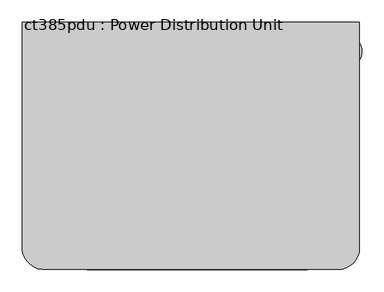
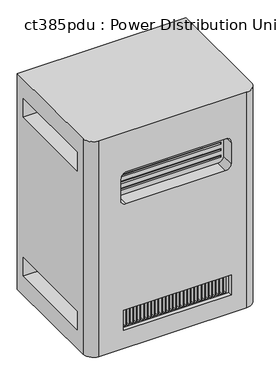
"""IFC4 building model written with IfcOpenShell, lengths in millimetres: proxy geometry, ct385pdu : Power Distribution Unit."""

from ifc_helpers import new_model, si_unit, frame, origin, place, context, project, spatial, polyline, circle_curve, source, transform, mapped, element, save
from ifc_brep_helpers import plane_surface, cylinder_surface, revolved_surface, advanced_brep


def ct385pdu_power_distribution_unit_872da1f0(model_context):
    return source(origin(), model_context, "Body", "AdvancedBrep", [
        advanced_brep(
        [(777.1214984, -278.2670561, 1061.72), (13.3803622, -278.2670561, 1061.72), (13.3803622, -793.0708407, 1061.72), (58.9890922, -838.6795708, 1061.72), (728.6943488, -838.6795708, 1061.72), (777.1214984, -799.4290288, 1061.72), (777.1214984, -278.2670561, 29.0723606), (777.1214984, -799.4290288, 29.0723606), (728.6943488, -838.6795708, 29.0723606), (58.9890922, -838.6795708, 29.0723606), (13.3803622, -793.0708407, 29.0723606), (13.3803622, -278.2670561, 29.0723606), (13.3803622, -321.9979539, 118.507899), (13.3803622, -321.9979539, 207.407899), (13.3803622, -747.4479539, 207.407899), (13.3803622, -747.4479539, 118.507899), (13.3803622, -321.9979539, 880.507899), (13.3803622, -321.9979539, 969.407899), (13.3803622, -747.4479539, 969.407899), (13.3803622, -747.4479539, 880.507899), (658.9972816, -838.6795708, 211.3956245), (658.9972816, -838.6795708, 116.1456245), (170.0472816, -838.6795708, 116.1456245), (170.0472816, -838.6795708, 211.3956245), (633.5972816, -838.6795708, 871.292643), (658.9972816, -838.6795708, 845.892643), (658.9972816, -838.6795708, 745.3012718), (633.5972816, -838.6795708, 719.9012718), (182.7472816, -838.6795708, 719.9012718), (160.6748993, -838.6795708, 732.7326625), (160.6748993, -838.6795708, 845.892643), (186.0748993, -838.6795708, 871.292643), (777.1214984, -321.9979539, 207.407899), (777.1214984, -321.9979539, 118.507899), (777.1214984, -747.4479539, 118.507899), (777.1214984, -747.4479539, 207.407899), (777.1214984, -321.9979539, 969.407899), (777.1214984, -321.9979539, 880.507899), (777.1214984, -747.4479539, 880.507899), (777.1214984, -747.4479539, 969.407899), (658.9972816, -820.2558112, 211.3956245), (170.0472816, -820.2558112, 211.3956245), (170.0472816, -820.2558112, 116.1456245), (658.9972816, -820.2558112, 116.1456245), (190.1782237, -820.2558112, 207.407899), (190.1782237, -820.2558112, 120.3783251), (180.7461805, -820.2558112, 120.3783251), (180.7461805, -820.2558112, 207.407899), (206.3777551, -820.2558112, 207.407899), (206.3777551, -820.2558112, 120.3783251), (196.9457119, -820.2558112, 120.3783251), (196.9457119, -820.2558112, 207.407899), (222.6337551, -820.2558112, 207.407899), (222.6337551, -820.2558112, 120.3783251), (213.2017119, -820.2558112, 120.3783251), (213.2017119, -820.2558112, 207.407899), (238.8897551, -820.2558112, 207.407899), (238.8897551, -820.2558112, 120.3783251), (229.4577119, -820.2558112, 120.3783251), (229.4577119, -820.2558112, 207.407899), (255.1457551, -820.2558112, 207.407899), (255.1457551, -820.2558112, 120.3783251), (245.7137119, -820.2558112, 120.3783251), (245.7137119, -820.2558112, 207.407899), (271.4017551, -820.2558112, 207.407899), (271.4017551, -820.2558112, 120.3783251), (261.9697119, -820.2558112, 120.3783251), (261.9697119, -820.2558112, 207.407899), (287.6577551, -820.2558112, 207.407899), (287.6577551, -820.2558112, 120.3783251), (278.2257119, -820.2558112, 120.3783251), (278.2257119, -820.2558112, 207.407899), (303.9137551, -820.2558112, 207.407899), (303.9137551, -820.2558112, 120.3783251), (294.4817119, -820.2558112, 120.3783251), (294.4817119, -820.2558112, 207.407899), (320.1697551, -820.2558112, 207.407899), (320.1697551, -820.2558112, 120.3783251), (310.7377119, -820.2558112, 120.3783251), (310.7377119, -820.2558112, 207.407899), (336.4257551, -820.2558112, 207.407899), (336.4257551, -820.2558112, 120.3783251), (326.9937119, -820.2558112, 120.3783251), (326.9937119, -820.2558112, 207.407899), (352.6817551, -820.2558112, 207.407899), (352.6817551, -820.2558112, 120.3783251), (343.2497119, -820.2558112, 120.3783251), (343.2497119, -820.2558112, 207.407899), (368.9377551, -820.2558112, 207.407899), (368.9377551, -820.2558112, 120.3783251), (359.5057119, -820.2558112, 120.3783251), (359.5057119, -820.2558112, 207.407899), (385.1937551, -820.2558112, 207.407899), (385.1937551, -820.2558112, 120.3783251), (375.7617119, -820.2558112, 120.3783251), (375.7617119, -820.2558112, 207.407899), (401.4497551, -820.2558112, 207.407899), (401.4497551, -820.2558112, 120.3783251), (392.0177119, -820.2558112, 120.3783251), (392.0177119, -820.2558112, 207.407899), (417.7057551, -820.2558112, 207.407899), (417.7057551, -820.2558112, 120.3783251), (408.2737119, -820.2558112, 120.3783251), (408.2737119, -820.2558112, 207.407899), (433.9617551, -820.2558112, 207.407899), (433.9617551, -820.2558112, 120.3783251), (424.5297119, -820.2558112, 120.3783251), (424.5297119, -820.2558112, 207.407899), (450.2177551, -820.2558112, 207.407899), (450.2177551, -820.2558112, 120.3783251), (440.7857119, -820.2558112, 120.3783251), (440.7857119, -820.2558112, 207.407899), (466.4737551, -820.2558112, 207.407899), (466.4737551, -820.2558112, 120.3783251), (457.0417119, -820.2558112, 120.3783251), (457.0417119, -820.2558112, 207.407899), (482.7297551, -820.2558112, 207.407899), (482.7297551, -820.2558112, 120.3783251), (473.2977119, -820.2558112, 120.3783251), (473.2977119, -820.2558112, 207.407899), (498.9857551, -820.2558112, 207.407899), (498.9857551, -820.2558112, 120.3783251), (489.5537119, -820.2558112, 120.3783251), (489.5537119, -820.2558112, 207.407899), (515.2417551, -820.2558112, 207.407899), (515.2417551, -820.2558112, 120.3783251), (505.8097119, -820.2558112, 120.3783251), (505.8097119, -820.2558112, 207.407899), (531.4977551, -820.2558112, 207.407899), (531.4977551, -820.2558112, 120.3783251), (522.0657119, -820.2558112, 120.3783251), (522.0657119, -820.2558112, 207.407899), (547.7537551, -820.2558112, 207.407899), (547.7537551, -820.2558112, 120.3783251), (538.3217119, -820.2558112, 120.3783251), (538.3217119, -820.2558112, 207.407899), (564.0097551, -820.2558112, 207.407899), (564.0097551, -820.2558112, 120.3783251), (554.5777119, -820.2558112, 120.3783251), (554.5777119, -820.2558112, 207.407899), (580.2657551, -820.2558112, 207.407899), (580.2657551, -820.2558112, 120.3783251), (570.8337119, -820.2558112, 120.3783251), (570.8337119, -820.2558112, 207.407899), (596.5217551, -820.2558112, 207.407899), (596.5217551, -820.2558112, 120.3783251), (587.0897119, -820.2558112, 120.3783251), (587.0897119, -820.2558112, 207.407899), (612.7777551, -820.2558112, 207.407899), (612.7777551, -820.2558112, 120.3783251), (603.3457119, -820.2558112, 120.3783251), (603.3457119, -820.2558112, 207.407899), (629.0337551, -820.2558112, 207.407899), (629.0337551, -820.2558112, 120.3783251), (619.6017119, -820.2558112, 120.3783251), (619.6017119, -820.2558112, 207.407899), (645.2897551, -820.2558112, 207.407899), (645.2897551, -820.2558112, 120.3783251), (635.8577119, -820.2558112, 120.3783251), (635.8577119, -820.2558112, 207.407899), (190.1782237, -779.1979539, 207.407899), (180.7461805, -779.1979539, 207.407899), (180.7461805, -779.1979539, 120.3783251), (190.1782237, -779.1979539, 120.3783251), (206.3777551, -779.1979539, 207.407899), (196.9457119, -779.1979539, 207.407899), (196.9457119, -779.1979539, 120.3783251), (206.3777551, -779.1979539, 120.3783251), (222.6337551, -779.1979539, 207.407899), (213.2017119, -779.1979539, 207.407899), (213.2017119, -779.1979539, 120.3783251), (222.6337551, -779.1979539, 120.3783251), (238.8897551, -779.1979539, 207.407899), (229.4577119, -779.1979539, 207.407899), (229.4577119, -779.1979539, 120.3783251), (238.8897551, -779.1979539, 120.3783251), (255.1457551, -779.1979539, 207.407899), (245.7137119, -779.1979539, 207.407899), (245.7137119, -779.1979539, 120.3783251), (255.1457551, -779.1979539, 120.3783251), (271.4017551, -779.1979539, 207.407899), (261.9697119, -779.1979539, 207.407899), (261.9697119, -779.1979539, 120.3783251), (271.4017551, -779.1979539, 120.3783251), (287.6577551, -779.1979539, 207.407899), (278.2257119, -779.1979539, 207.407899), (278.2257119, -779.1979539, 120.3783251), (287.6577551, -779.1979539, 120.3783251), (303.9137551, -779.1979539, 207.407899), (294.4817119, -779.1979539, 207.407899), (294.4817119, -779.1979539, 120.3783251), (303.9137551, -779.1979539, 120.3783251), (320.1697551, -779.1979539, 207.407899), (310.7377119, -779.1979539, 207.407899), (310.7377119, -779.1979539, 120.3783251), (320.1697551, -779.1979539, 120.3783251), (336.4257551, -779.1979539, 207.407899), (326.9937119, -779.1979539, 207.407899), (326.9937119, -779.1979539, 120.3783251), (336.4257551, -779.1979539, 120.3783251), (352.6817551, -779.1979539, 207.407899), (343.2497119, -779.1979539, 207.407899), (343.2497119, -779.1979539, 120.3783251), (352.6817551, -779.1979539, 120.3783251), (368.9377551, -779.1979539, 207.407899), (359.5057119, -779.1979539, 207.407899), (359.5057119, -779.1979539, 120.3783251), (368.9377551, -779.1979539, 120.3783251), (385.1937551, -779.1979539, 207.407899), (375.7617119, -779.1979539, 207.407899), (375.7617119, -779.1979539, 120.3783251), (385.1937551, -779.1979539, 120.3783251), (401.4497551, -779.1979539, 207.407899), (392.0177119, -779.1979539, 207.407899), (392.0177119, -779.1979539, 120.3783251), (401.4497551, -779.1979539, 120.3783251), (417.7057551, -779.1979539, 207.407899), (408.2737119, -779.1979539, 207.407899), (408.2737119, -779.1979539, 120.3783251), (417.7057551, -779.1979539, 120.3783251), (433.9617551, -779.1979539, 207.407899), (424.5297119, -779.1979539, 207.407899), (424.5297119, -779.1979539, 120.3783251), (433.9617551, -779.1979539, 120.3783251), (450.2177551, -779.1979539, 207.407899), (440.7857119, -779.1979539, 207.407899), (440.7857119, -779.1979539, 120.3783251), (450.2177551, -779.1979539, 120.3783251), (466.4737551, -779.1979539, 207.407899), (457.0417119, -779.1979539, 207.407899), (457.0417119, -779.1979539, 120.3783251), (466.4737551, -779.1979539, 120.3783251), (482.7297551, -779.1979539, 207.407899), (473.2977119, -779.1979539, 207.407899), (473.2977119, -779.1979539, 120.3783251), (482.7297551, -779.1979539, 120.3783251), (498.9857551, -779.1979539, 207.407899), (489.5537119, -779.1979539, 207.407899), (489.5537119, -779.1979539, 120.3783251), (498.9857551, -779.1979539, 120.3783251), (515.2417551, -779.1979539, 207.407899), (505.8097119, -779.1979539, 207.407899), (505.8097119, -779.1979539, 120.3783251), (515.2417551, -779.1979539, 120.3783251), (531.4977551, -779.1979539, 207.407899), (522.0657119, -779.1979539, 207.407899), (522.0657119, -779.1979539, 120.3783251), (531.4977551, -779.1979539, 120.3783251), (547.7537551, -779.1979539, 207.407899), (538.3217119, -779.1979539, 207.407899), (538.3217119, -779.1979539, 120.3783251), (547.7537551, -779.1979539, 120.3783251), (564.0097551, -779.1979539, 207.407899), (554.5777119, -779.1979539, 207.407899), (554.5777119, -779.1979539, 120.3783251), (564.0097551, -779.1979539, 120.3783251), (580.2657551, -779.1979539, 207.407899), (570.8337119, -779.1979539, 207.407899), (570.8337119, -779.1979539, 120.3783251), (580.2657551, -779.1979539, 120.3783251), (596.5217551, -779.1979539, 207.407899), (587.0897119, -779.1979539, 207.407899), (587.0897119, -779.1979539, 120.3783251), (596.5217551, -779.1979539, 120.3783251), (612.7777551, -779.1979539, 207.407899), (603.3457119, -779.1979539, 207.407899), (603.3457119, -779.1979539, 120.3783251), (612.7777551, -779.1979539, 120.3783251), (629.0337551, -779.1979539, 207.407899), (619.6017119, -779.1979539, 207.407899), (619.6017119, -779.1979539, 120.3783251), (629.0337551, -779.1979539, 120.3783251), (645.2897551, -779.1979539, 207.407899), (635.8577119, -779.1979539, 207.407899), (635.8577119, -779.1979539, 120.3783251), (645.2897551, -779.1979539, 120.3783251), (633.5972816, -779.1979539, 871.292643), (186.0748993, -779.1979539, 871.292643), (160.6748993, -779.1979539, 845.892643), (160.6748993, -779.1979539, 732.7326625), (182.7472816, -779.1979539, 719.9012718), (633.5972816, -779.1979539, 719.9012718), (658.9972816, -779.1979539, 745.3012718), (658.9972816, -779.1979539, 845.892643), (647.2926794, -779.1979539, 848.614), (647.2926794, -779.1979539, 838.8967769), (170.9397372, -779.1979539, 838.8967769), (170.9397372, -779.1979539, 848.614), (647.2926794, -779.1979539, 816.864), (647.2926794, -779.1979539, 807.1467769), (170.9397372, -779.1979539, 807.1467769), (170.9397372, -779.1979539, 816.864), (647.2926794, -779.1979539, 785.114), (647.2926794, -779.1979539, 775.3967769), (170.9397372, -779.1979539, 775.3967769), (170.9397372, -779.1979539, 785.114), (647.2926794, -779.1979539, 753.364), (647.2926794, -779.1979539, 743.6467769), (170.9397372, -779.1979539, 743.6467769), (170.9397372, -779.1979539, 753.364), (647.2926794, -770.5456119, 848.614), (170.9397372, -770.5456119, 848.614), (170.9397372, -770.5456119, 838.8967769), (647.2926794, -770.5456119, 838.8967769), (647.2926794, -770.5456119, 816.864), (170.9397372, -770.5456119, 816.864), (170.9397372, -770.5456119, 807.1467769), (647.2926794, -770.5456119, 807.1467769), (647.2926794, -770.5456119, 785.114), (170.9397372, -770.5456119, 785.114), (170.9397372, -770.5456119, 775.3967769), (647.2926794, -770.5456119, 775.3967769), (647.2926794, -770.5456119, 753.364), (170.9397372, -770.5456119, 753.364), (170.9397372, -770.5456119, 743.6467769), (647.2926794, -770.5456119, 743.6467769), (706.2723647, -321.9979539, 207.407899), (706.2723647, -747.4479539, 207.407899), (706.2723647, -747.4479539, 118.507899), (706.2723647, -321.9979539, 118.507899), (706.2723647, -321.9979539, 969.407899), (706.2723647, -747.4479539, 969.407899), (706.2723647, -747.4479539, 880.507899), (706.2723647, -321.9979539, 880.507899), (85.7009313, -321.9979539, 207.407899), (85.7009313, -321.9979539, 118.507899), (85.7009313, -747.4479539, 118.507899), (85.7009313, -747.4479539, 207.407899), (85.7009313, -321.9979539, 969.407899), (85.7009313, -321.9979539, 880.507899), (85.7009313, -747.4479539, 880.507899), (85.7009313, -747.4479539, 969.407899)],
        [
            (0, 1),
            (1, 2),
            (2, 3, circle_curve(frame((64.1803622, -787.8795708, 1061.72), z_axis=(0.0, 0.0, 1.0), x_axis=(-1.0, 0.0, 0.0)), 51.06456)),
            (3, 4),
            (4, 5, circle_curve(frame((728.6943488, -789.1796955, 1061.72), z_axis=(0.0, 0.0, 1.0), x_axis=(-1.0, 0.0, 0.0)), 49.4998753)),
            (5, 0),
            (6, 7),
            (7, 8, circle_curve(frame((728.6943488, -789.1796955, 29.0723606), z_axis=(0.0, 0.0, -1.0), x_axis=(-1.0, 0.0, 0.0)), 49.4998753)),
            (8, 9),
            (9, 10, circle_curve(frame((64.1803622, -787.8795708, 29.0723606), z_axis=(0.0, 0.0, -1.0), x_axis=(-1.0, 0.0, 0.0)), 51.06456)),
            (10, 11),
            (11, 6),
            (0, 6),
            (11, 1),
            (10, 2),
            (12, 13),
            (13, 14),
            (14, 15),
            (15, 12),
            (16, 17),
            (17, 18),
            (18, 19),
            (19, 16),
            (9, 3),
            (8, 4),
            (20, 21),
            (21, 22),
            (22, 23),
            (23, 20),
            (24, 25, circle_curve(frame((633.5972816, -838.6795708, 845.892643), z_axis=(0.0, 1.0, 0.0), x_axis=(-1.0, 0.0, 0.0)), 25.4)),
            (25, 26),
            (26, 27, circle_curve(frame((633.5972816, -838.6795708, 745.3012718), z_axis=(0.0, 1.0, 0.0), x_axis=(-1.0, 0.0, 0.0)), 25.4)),
            (27, 28),
            (28, 29, circle_curve(frame((182.7472816, -838.6795708, 745.3012718), z_axis=(0.0, 1.0, 0.0), x_axis=(-1.0, 0.0, 0.0)), 25.4)),
            (29, 30),
            (30, 31, circle_curve(frame((186.0748993, -838.6795708, 845.892643), z_axis=(0.0, 1.0, 0.0), x_axis=(-1.0, 0.0, 0.0)), 25.4)),
            (31, 24),
            (7, 5),
            (32, 33),
            (33, 34),
            (34, 35),
            (35, 32),
            (36, 37),
            (37, 38),
            (38, 39),
            (39, 36),
            (40, 41),
            (41, 42),
            (42, 43),
            (43, 40),
            (44, 45),
            (45, 46),
            (46, 47),
            (47, 44),
            (48, 49),
            (49, 50),
            (50, 51),
            (51, 48),
            (52, 53),
            (53, 54),
            (54, 55),
            (55, 52),
            (56, 57),
            (57, 58),
            (58, 59),
            (59, 56),
            (60, 61),
            (61, 62),
            (62, 63),
            (63, 60),
            (64, 65),
            (65, 66),
            (66, 67),
            (67, 64),
            (68, 69),
            (69, 70),
            (70, 71),
            (71, 68),
            (72, 73),
            (73, 74),
            (74, 75),
            (75, 72),
            (76, 77),
            (77, 78),
            (78, 79),
            (79, 76),
            (80, 81),
            (81, 82),
            (82, 83),
            (83, 80),
            (84, 85),
            (85, 86),
            (86, 87),
            (87, 84),
            (88, 89),
            (89, 90),
            (90, 91),
            (91, 88),
            (92, 93),
            (93, 94),
            (94, 95),
            (95, 92),
            (96, 97),
            (97, 98),
            (98, 99),
            (99, 96),
            (100, 101),
            (101, 102),
            (102, 103),
            (103, 100),
            (104, 105),
            (105, 106),
            (106, 107),
            (107, 104),
            (108, 109),
            (109, 110),
            (110, 111),
            (111, 108),
            (112, 113),
            (113, 114),
            (114, 115),
            (115, 112),
            (116, 117),
            (117, 118),
            (118, 119),
            (119, 116),
            (120, 121),
            (121, 122),
            (122, 123),
            (123, 120),
            (124, 125),
            (125, 126),
            (126, 127),
            (127, 124),
            (128, 129),
            (129, 130),
            (130, 131),
            (131, 128),
            (132, 133),
            (133, 134),
            (134, 135),
            (135, 132),
            (136, 137),
            (137, 138),
            (138, 139),
            (139, 136),
            (140, 141),
            (141, 142),
            (142, 143),
            (143, 140),
            (144, 145),
            (145, 146),
            (146, 147),
            (147, 144),
            (148, 149),
            (149, 150),
            (150, 151),
            (151, 148),
            (152, 153),
            (153, 154),
            (154, 155),
            (155, 152),
            (156, 157),
            (157, 158),
            (158, 159),
            (159, 156),
            (43, 21),
            (20, 40),
            (42, 22),
            (41, 23),
            (160, 161),
            (161, 162),
            (162, 163),
            (163, 160),
            (164, 165),
            (165, 166),
            (166, 167),
            (167, 164),
            (168, 169),
            (169, 170),
            (170, 171),
            (171, 168),
            (172, 173),
            (173, 174),
            (174, 175),
            (175, 172),
            (176, 177),
            (177, 178),
            (178, 179),
            (179, 176),
            (180, 181),
            (181, 182),
            (182, 183),
            (183, 180),
            (184, 185),
            (185, 186),
            (186, 187),
            (187, 184),
            (188, 189),
            (189, 190),
            (190, 191),
            (191, 188),
            (192, 193),
            (193, 194),
            (194, 195),
            (195, 192),
            (196, 197),
            (197, 198),
            (198, 199),
            (199, 196),
            (200, 201),
            (201, 202),
            (202, 203),
            (203, 200),
            (204, 205),
            (205, 206),
            (206, 207),
            (207, 204),
            (208, 209),
            (209, 210),
            (210, 211),
            (211, 208),
            (212, 213),
            (213, 214),
            (214, 215),
            (215, 212),
            (216, 217),
            (217, 218),
            (218, 219),
            (219, 216),
            (220, 221),
            (221, 222),
            (222, 223),
            (223, 220),
            (224, 225),
            (225, 226),
            (226, 227),
            (227, 224),
            (228, 229),
            (229, 230),
            (230, 231),
            (231, 228),
            (232, 233),
            (233, 234),
            (234, 235),
            (235, 232),
            (236, 237),
            (237, 238),
            (238, 239),
            (239, 236),
            (240, 241),
            (241, 242),
            (242, 243),
            (243, 240),
            (244, 245),
            (245, 246),
            (246, 247),
            (247, 244),
            (248, 249),
            (249, 250),
            (250, 251),
            (251, 248),
            (252, 253),
            (253, 254),
            (254, 255),
            (255, 252),
            (256, 257),
            (257, 258),
            (258, 259),
            (259, 256),
            (260, 261),
            (261, 262),
            (262, 263),
            (263, 260),
            (264, 265),
            (265, 266),
            (266, 267),
            (267, 264),
            (268, 269),
            (269, 270),
            (270, 271),
            (271, 268),
            (272, 273),
            (273, 274),
            (274, 275),
            (275, 272),
            (163, 45),
            (44, 160),
            (162, 46),
            (161, 47),
            (167, 49),
            (48, 164),
            (166, 50),
            (165, 51),
            (171, 53),
            (52, 168),
            (170, 54),
            (169, 55),
            (175, 57),
            (56, 172),
            (174, 58),
            (173, 59),
            (179, 61),
            (60, 176),
            (178, 62),
            (177, 63),
            (183, 65),
            (64, 180),
            (182, 66),
            (181, 67),
            (187, 69),
            (68, 184),
            (186, 70),
            (185, 71),
            (191, 73),
            (72, 188),
            (190, 74),
            (189, 75),
            (195, 77),
            (76, 192),
            (194, 78),
            (193, 79),
            (199, 81),
            (80, 196),
            (198, 82),
            (197, 83),
            (203, 85),
            (84, 200),
            (202, 86),
            (201, 87),
            (207, 89),
            (88, 204),
            (206, 90),
            (205, 91),
            (211, 93),
            (92, 208),
            (210, 94),
            (209, 95),
            (215, 97),
            (96, 212),
            (214, 98),
            (213, 99),
            (219, 101),
            (100, 216),
            (218, 102),
            (217, 103),
            (223, 105),
            (104, 220),
            (222, 106),
            (221, 107),
            (227, 109),
            (108, 224),
            (226, 110),
            (225, 111),
            (231, 113),
            (112, 228),
            (230, 114),
            (229, 115),
            (235, 117),
            (116, 232),
            (234, 118),
            (233, 119),
            (239, 121),
            (120, 236),
            (238, 122),
            (237, 123),
            (243, 125),
            (124, 240),
            (242, 126),
            (241, 127),
            (247, 129),
            (128, 244),
            (246, 130),
            (245, 131),
            (251, 133),
            (132, 248),
            (250, 134),
            (249, 135),
            (255, 137),
            (136, 252),
            (254, 138),
            (253, 139),
            (259, 141),
            (140, 256),
            (258, 142),
            (257, 143),
            (263, 145),
            (144, 260),
            (262, 146),
            (261, 147),
            (267, 149),
            (148, 264),
            (266, 150),
            (265, 151),
            (271, 153),
            (152, 268),
            (270, 154),
            (269, 155),
            (275, 157),
            (156, 272),
            (274, 158),
            (273, 159),
            (276, 277),
            (277, 278, circle_curve(frame((186.0748993, -779.1979539, 845.892643), z_axis=(0.0, -1.0, 0.0), x_axis=(-1.0, 0.0, 0.0)), 25.4)),
            (278, 279),
            (279, 280, circle_curve(frame((182.7472816, -779.1979539, 745.3012718), z_axis=(0.0, -1.0, 0.0), x_axis=(-1.0, 0.0, 0.0)), 25.4)),
            (280, 281),
            (281, 282, circle_curve(frame((633.5972816, -779.1979539, 745.3012718), z_axis=(0.0, -1.0, 0.0), x_axis=(-1.0, 0.0, 0.0)), 25.4)),
            (282, 283),
            (283, 276, circle_curve(frame((633.5972816, -779.1979539, 845.892643), z_axis=(0.0, -1.0, 0.0), x_axis=(-1.0, 0.0, 0.0)), 25.4)),
            (284, 285),
            (285, 286),
            (286, 287),
            (287, 284),
            (288, 289),
            (289, 290),
            (290, 291),
            (291, 288),
            (292, 293),
            (293, 294),
            (294, 295),
            (295, 292),
            (296, 297),
            (297, 298),
            (298, 299),
            (299, 296),
            (283, 25),
            (24, 276),
            (282, 26),
            (281, 27),
            (280, 28),
            (279, 29),
            (278, 30),
            (277, 31),
            (300, 301),
            (301, 302),
            (302, 303),
            (303, 300),
            (304, 305),
            (305, 306),
            (306, 307),
            (307, 304),
            (308, 309),
            (309, 310),
            (310, 311),
            (311, 308),
            (312, 313),
            (313, 314),
            (314, 315),
            (315, 312),
            (303, 285),
            (284, 300),
            (302, 286),
            (301, 287),
            (307, 289),
            (288, 304),
            (306, 290),
            (305, 291),
            (311, 293),
            (292, 308),
            (310, 294),
            (309, 295),
            (315, 297),
            (296, 312),
            (314, 298),
            (313, 299),
            (316, 317),
            (317, 318),
            (318, 319),
            (319, 316),
            (320, 321),
            (321, 322),
            (322, 323),
            (323, 320),
            (319, 33),
            (32, 316),
            (318, 34),
            (317, 35),
            (323, 37),
            (36, 320),
            (322, 38),
            (321, 39),
            (324, 325),
            (325, 326),
            (326, 327),
            (327, 324),
            (328, 329),
            (329, 330),
            (330, 331),
            (331, 328),
            (324, 13),
            (12, 325),
            (15, 326),
            (14, 327),
            (328, 17),
            (16, 329),
            (19, 330),
            (18, 331),
        ],
        [
            plane_surface(frame((13.3803622, -278.2670561, 1061.72), z_axis=(0.0, 0.0, 1.0), x_axis=(-1.0, 0.0, 0.0))),
            plane_surface(frame((13.3803622, -278.2670561, 29.0723606), z_axis=(0.0, 0.0, -1.0), x_axis=(1.0, 0.0, 0.0))),
            plane_surface(frame((777.1214984, -278.2670561, 1061.72), z_axis=(0.0, 1.0, 0.0), x_axis=(0.0, 0.0, -1.0))),
            plane_surface(frame((13.3803622, -278.2670561, 1061.72), z_axis=(-1.0, 0.0, 0.0), x_axis=(0.0, 0.0, -1.0))),
            cylinder_surface(frame((64.1803622, -787.8795708, 29.0723606), z_axis=(0.0, 0.0, 1.0), x_axis=(-1.0, 0.0, 0.0)), 51.06456),
            plane_surface(frame((58.9890922, -838.6795708, 1061.72), z_axis=(0.0, -1.0, 0.0), x_axis=(0.0, 0.0, -1.0))),
            cylinder_surface(frame((728.6943488, -789.1796955, 29.0723606), z_axis=(0.0, 0.0, 1.0), x_axis=(-1.0, 0.0, 0.0)), 49.4998753),
            plane_surface(frame((777.1214984, -799.4290288, 1061.72), z_axis=(1.0, 0.0, 0.0), x_axis=(0.0, 0.0, -1.0))),
            plane_surface(frame((658.9972816, -820.2558112, 211.3956245), z_axis=(0.0, -1.0, 0.0), x_axis=(0.0, 0.0, -1.0))),
            plane_surface(frame((658.9972816, -820.2558112, 211.3956245), z_axis=(-1.0, 0.0, 0.0), x_axis=(0.0, -1.0, 0.0))),
            plane_surface(frame((658.9972816, -820.2558112, 116.1456245), z_axis=(0.0, 0.0, 1.0), x_axis=(0.0, -1.0, 0.0))),
            plane_surface(frame((170.0472816, -820.2558112, 116.1456245), z_axis=(1.0, 0.0, 0.0), x_axis=(0.0, -1.0, 0.0))),
            plane_surface(frame((170.0472816, -820.2558112, 211.3956245), z_axis=(0.0, 0.0, -1.0), x_axis=(0.0, -1.0, 0.0))),
            plane_surface(frame((190.1782237, -779.1979539, 206.614149), z_axis=(0.0, -1.0, 0.0), x_axis=(0.0, 0.0, -1.0))),
            plane_surface(frame((190.1782237, -779.1979539, 207.407899), z_axis=(-1.0, 0.0, 0.0), x_axis=(0.0, -1.0, 0.0))),
            plane_surface(frame((190.1782237, -779.1979539, 120.3783251), z_axis=(0.0, 0.0, 1.0), x_axis=(0.0, -1.0, 0.0))),
            plane_surface(frame((180.7461805, -779.1979539, 120.3783251), z_axis=(1.0, 0.0, 0.0), x_axis=(0.0, -1.0, 0.0))),
            plane_surface(frame((180.7461805, -779.1979539, 207.407899), z_axis=(0.0, 0.0, -1.0), x_axis=(0.0, -1.0, 0.0))),
            plane_surface(frame((206.3777551, -779.1979539, 207.407899), z_axis=(-1.0, 0.0, 0.0), x_axis=(0.0, -1.0, 0.0))),
            plane_surface(frame((206.3777551, -779.1979539, 120.3783251), z_axis=(0.0, 0.0, 1.0), x_axis=(0.0, -1.0, 0.0))),
            plane_surface(frame((196.9457119, -779.1979539, 120.3783251), z_axis=(1.0, 0.0, 0.0), x_axis=(0.0, -1.0, 0.0))),
            plane_surface(frame((196.9457119, -779.1979539, 207.407899), z_axis=(0.0, 0.0, -1.0), x_axis=(0.0, -1.0, 0.0))),
            plane_surface(frame((222.6337551, -779.1979539, 207.407899), z_axis=(-1.0, 0.0, 0.0), x_axis=(0.0, -1.0, 0.0))),
            plane_surface(frame((222.6337551, -779.1979539, 120.3783251), z_axis=(0.0, 0.0, 1.0), x_axis=(0.0, -1.0, 0.0))),
            plane_surface(frame((213.2017119, -779.1979539, 120.3783251), z_axis=(1.0, 0.0, 0.0), x_axis=(0.0, -1.0, 0.0))),
            plane_surface(frame((213.2017119, -779.1979539, 207.407899), z_axis=(0.0, 0.0, -1.0), x_axis=(0.0, -1.0, 0.0))),
            plane_surface(frame((238.8897551, -779.1979539, 207.407899), z_axis=(-1.0, 0.0, 0.0), x_axis=(0.0, -1.0, 0.0))),
            plane_surface(frame((238.8897551, -779.1979539, 120.3783251), z_axis=(0.0, 0.0, 1.0), x_axis=(0.0, -1.0, 0.0))),
            plane_surface(frame((229.4577119, -779.1979539, 120.3783251), z_axis=(1.0, 0.0, 0.0), x_axis=(0.0, -1.0, 0.0))),
            plane_surface(frame((229.4577119, -779.1979539, 207.407899), z_axis=(0.0, 0.0, -1.0), x_axis=(0.0, -1.0, 0.0))),
            plane_surface(frame((255.1457551, -779.1979539, 207.407899), z_axis=(-1.0, 0.0, 0.0), x_axis=(0.0, -1.0, 0.0))),
            plane_surface(frame((255.1457551, -779.1979539, 120.3783251), z_axis=(0.0, 0.0, 1.0), x_axis=(0.0, -1.0, 0.0))),
            plane_surface(frame((245.7137119, -779.1979539, 120.3783251), z_axis=(1.0, 0.0, 0.0), x_axis=(0.0, -1.0, 0.0))),
            plane_surface(frame((245.7137119, -779.1979539, 207.407899), z_axis=(0.0, 0.0, -1.0), x_axis=(0.0, -1.0, 0.0))),
            plane_surface(frame((271.4017551, -779.1979539, 207.407899), z_axis=(-1.0, 0.0, 0.0), x_axis=(0.0, -1.0, 0.0))),
            plane_surface(frame((271.4017551, -779.1979539, 120.3783251), z_axis=(0.0, 0.0, 1.0), x_axis=(0.0, -1.0, 0.0))),
            plane_surface(frame((261.9697119, -779.1979539, 120.3783251), z_axis=(1.0, 0.0, 0.0), x_axis=(0.0, -1.0, 0.0))),
            plane_surface(frame((261.9697119, -779.1979539, 207.407899), z_axis=(0.0, 0.0, -1.0), x_axis=(0.0, -1.0, 0.0))),
            plane_surface(frame((287.6577551, -779.1979539, 207.407899), z_axis=(-1.0, 0.0, 0.0), x_axis=(0.0, -1.0, 0.0))),
            plane_surface(frame((287.6577551, -779.1979539, 120.3783251), z_axis=(0.0, 0.0, 1.0), x_axis=(0.0, -1.0, 0.0))),
            plane_surface(frame((278.2257119, -779.1979539, 120.3783251), z_axis=(1.0, 0.0, 0.0), x_axis=(0.0, -1.0, 0.0))),
            plane_surface(frame((278.2257119, -779.1979539, 207.407899), z_axis=(0.0, 0.0, -1.0), x_axis=(0.0, -1.0, 0.0))),
            plane_surface(frame((303.9137551, -779.1979539, 207.407899), z_axis=(-1.0, 0.0, 0.0), x_axis=(0.0, -1.0, 0.0))),
            plane_surface(frame((303.9137551, -779.1979539, 120.3783251), z_axis=(0.0, 0.0, 1.0), x_axis=(0.0, -1.0, 0.0))),
            plane_surface(frame((294.4817119, -779.1979539, 120.3783251), z_axis=(1.0, 0.0, 0.0), x_axis=(0.0, -1.0, 0.0))),
            plane_surface(frame((294.4817119, -779.1979539, 207.407899), z_axis=(0.0, 0.0, -1.0), x_axis=(0.0, -1.0, 0.0))),
            plane_surface(frame((320.1697551, -779.1979539, 207.407899), z_axis=(-1.0, 0.0, 0.0), x_axis=(0.0, -1.0, 0.0))),
            plane_surface(frame((320.1697551, -779.1979539, 120.3783251), z_axis=(0.0, 0.0, 1.0), x_axis=(0.0, -1.0, 0.0))),
            plane_surface(frame((310.7377119, -779.1979539, 120.3783251), z_axis=(1.0, 0.0, 0.0), x_axis=(0.0, -1.0, 0.0))),
            plane_surface(frame((310.7377119, -779.1979539, 207.407899), z_axis=(0.0, 0.0, -1.0), x_axis=(0.0, -1.0, 0.0))),
            plane_surface(frame((336.4257551, -779.1979539, 207.407899), z_axis=(-1.0, 0.0, 0.0), x_axis=(0.0, -1.0, 0.0))),
            plane_surface(frame((336.4257551, -779.1979539, 120.3783251), z_axis=(0.0, 0.0, 1.0), x_axis=(0.0, -1.0, 0.0))),
            plane_surface(frame((326.9937119, -779.1979539, 120.3783251), z_axis=(1.0, 0.0, 0.0), x_axis=(0.0, -1.0, 0.0))),
            plane_surface(frame((326.9937119, -779.1979539, 207.407899), z_axis=(0.0, 0.0, -1.0), x_axis=(0.0, -1.0, 0.0))),
            plane_surface(frame((352.6817551, -779.1979539, 207.407899), z_axis=(-1.0, 0.0, 0.0), x_axis=(0.0, -1.0, 0.0))),
            plane_surface(frame((352.6817551, -779.1979539, 120.3783251), z_axis=(0.0, 0.0, 1.0), x_axis=(0.0, -1.0, 0.0))),
            plane_surface(frame((343.2497119, -779.1979539, 120.3783251), z_axis=(1.0, 0.0, 0.0), x_axis=(0.0, -1.0, 0.0))),
            plane_surface(frame((343.2497119, -779.1979539, 207.407899), z_axis=(0.0, 0.0, -1.0), x_axis=(0.0, -1.0, 0.0))),
            plane_surface(frame((368.9377551, -779.1979539, 207.407899), z_axis=(-1.0, 0.0, 0.0), x_axis=(0.0, -1.0, 0.0))),
            plane_surface(frame((368.9377551, -779.1979539, 120.3783251), z_axis=(0.0, 0.0, 1.0), x_axis=(0.0, -1.0, 0.0))),
            plane_surface(frame((359.5057119, -779.1979539, 120.3783251), z_axis=(1.0, 0.0, 0.0), x_axis=(0.0, -1.0, 0.0))),
            plane_surface(frame((359.5057119, -779.1979539, 207.407899), z_axis=(0.0, 0.0, -1.0), x_axis=(0.0, -1.0, 0.0))),
            plane_surface(frame((385.1937551, -779.1979539, 207.407899), z_axis=(-1.0, 0.0, 0.0), x_axis=(0.0, -1.0, 0.0))),
            plane_surface(frame((385.1937551, -779.1979539, 120.3783251), z_axis=(0.0, 0.0, 1.0), x_axis=(0.0, -1.0, 0.0))),
            plane_surface(frame((375.7617119, -779.1979539, 120.3783251), z_axis=(1.0, 0.0, 0.0), x_axis=(0.0, -1.0, 0.0))),
            plane_surface(frame((375.7617119, -779.1979539, 207.407899), z_axis=(0.0, 0.0, -1.0), x_axis=(0.0, -1.0, 0.0))),
            plane_surface(frame((401.4497551, -779.1979539, 207.407899), z_axis=(-1.0, 0.0, 0.0), x_axis=(0.0, -1.0, 0.0))),
            plane_surface(frame((401.4497551, -779.1979539, 120.3783251), z_axis=(0.0, 0.0, 1.0), x_axis=(0.0, -1.0, 0.0))),
            plane_surface(frame((392.0177119, -779.1979539, 120.3783251), z_axis=(1.0, 0.0, 0.0), x_axis=(0.0, -1.0, 0.0))),
            plane_surface(frame((392.0177119, -779.1979539, 207.407899), z_axis=(0.0, 0.0, -1.0), x_axis=(0.0, -1.0, 0.0))),
            plane_surface(frame((417.7057551, -779.1979539, 207.407899), z_axis=(-1.0, 0.0, 0.0), x_axis=(0.0, -1.0, 0.0))),
            plane_surface(frame((417.7057551, -779.1979539, 120.3783251), z_axis=(0.0, 0.0, 1.0), x_axis=(0.0, -1.0, 0.0))),
            plane_surface(frame((408.2737119, -779.1979539, 120.3783251), z_axis=(1.0, 0.0, 0.0), x_axis=(0.0, -1.0, 0.0))),
            plane_surface(frame((408.2737119, -779.1979539, 207.407899), z_axis=(0.0, 0.0, -1.0), x_axis=(0.0, -1.0, 0.0))),
            plane_surface(frame((433.9617551, -779.1979539, 207.407899), z_axis=(-1.0, 0.0, 0.0), x_axis=(0.0, -1.0, 0.0))),
            plane_surface(frame((433.9617551, -779.1979539, 120.3783251), z_axis=(0.0, 0.0, 1.0), x_axis=(0.0, -1.0, 0.0))),
            plane_surface(frame((424.5297119, -779.1979539, 120.3783251), z_axis=(1.0, 0.0, 0.0), x_axis=(0.0, -1.0, 0.0))),
            plane_surface(frame((424.5297119, -779.1979539, 207.407899), z_axis=(0.0, 0.0, -1.0), x_axis=(0.0, -1.0, 0.0))),
            plane_surface(frame((450.2177551, -779.1979539, 207.407899), z_axis=(-1.0, 0.0, 0.0), x_axis=(0.0, -1.0, 0.0))),
            plane_surface(frame((450.2177551, -779.1979539, 120.3783251), z_axis=(0.0, 0.0, 1.0), x_axis=(0.0, -1.0, 0.0))),
            plane_surface(frame((440.7857119, -779.1979539, 120.3783251), z_axis=(1.0, 0.0, 0.0), x_axis=(0.0, -1.0, 0.0))),
            plane_surface(frame((440.7857119, -779.1979539, 207.407899), z_axis=(0.0, 0.0, -1.0), x_axis=(0.0, -1.0, 0.0))),
            plane_surface(frame((466.4737551, -779.1979539, 207.407899), z_axis=(-1.0, 0.0, 0.0), x_axis=(0.0, -1.0, 0.0))),
            plane_surface(frame((466.4737551, -779.1979539, 120.3783251), z_axis=(0.0, 0.0, 1.0), x_axis=(0.0, -1.0, 0.0))),
            plane_surface(frame((457.0417119, -779.1979539, 120.3783251), z_axis=(1.0, 0.0, 0.0), x_axis=(0.0, -1.0, 0.0))),
            plane_surface(frame((457.0417119, -779.1979539, 207.407899), z_axis=(0.0, 0.0, -1.0), x_axis=(0.0, -1.0, 0.0))),
            plane_surface(frame((482.7297551, -779.1979539, 207.407899), z_axis=(-1.0, 0.0, 0.0), x_axis=(0.0, -1.0, 0.0))),
            plane_surface(frame((482.7297551, -779.1979539, 120.3783251), z_axis=(0.0, 0.0, 1.0), x_axis=(0.0, -1.0, 0.0))),
            plane_surface(frame((473.2977119, -779.1979539, 120.3783251), z_axis=(1.0, 0.0, 0.0), x_axis=(0.0, -1.0, 0.0))),
            plane_surface(frame((473.2977119, -779.1979539, 207.407899), z_axis=(0.0, 0.0, -1.0), x_axis=(0.0, -1.0, 0.0))),
            plane_surface(frame((498.9857551, -779.1979539, 207.407899), z_axis=(-1.0, 0.0, 0.0), x_axis=(0.0, -1.0, 0.0))),
            plane_surface(frame((498.9857551, -779.1979539, 120.3783251), z_axis=(0.0, 0.0, 1.0), x_axis=(0.0, -1.0, 0.0))),
            plane_surface(frame((489.5537119, -779.1979539, 120.3783251), z_axis=(1.0, 0.0, 0.0), x_axis=(0.0, -1.0, 0.0))),
            plane_surface(frame((489.5537119, -779.1979539, 207.407899), z_axis=(0.0, 0.0, -1.0), x_axis=(0.0, -1.0, 0.0))),
            plane_surface(frame((515.2417551, -779.1979539, 207.407899), z_axis=(-1.0, 0.0, 0.0), x_axis=(0.0, -1.0, 0.0))),
            plane_surface(frame((515.2417551, -779.1979539, 120.3783251), z_axis=(0.0, 0.0, 1.0), x_axis=(0.0, -1.0, 0.0))),
            plane_surface(frame((505.8097119, -779.1979539, 120.3783251), z_axis=(1.0, 0.0, 0.0), x_axis=(0.0, -1.0, 0.0))),
            plane_surface(frame((505.8097119, -779.1979539, 207.407899), z_axis=(0.0, 0.0, -1.0), x_axis=(0.0, -1.0, 0.0))),
            plane_surface(frame((531.4977551, -779.1979539, 207.407899), z_axis=(-1.0, 0.0, 0.0), x_axis=(0.0, -1.0, 0.0))),
            plane_surface(frame((531.4977551, -779.1979539, 120.3783251), z_axis=(0.0, 0.0, 1.0), x_axis=(0.0, -1.0, 0.0))),
            plane_surface(frame((522.0657119, -779.1979539, 120.3783251), z_axis=(1.0, 0.0, 0.0), x_axis=(0.0, -1.0, 0.0))),
            plane_surface(frame((522.0657119, -779.1979539, 207.407899), z_axis=(0.0, 0.0, -1.0), x_axis=(0.0, -1.0, 0.0))),
            plane_surface(frame((547.7537551, -779.1979539, 207.407899), z_axis=(-1.0, 0.0, 0.0), x_axis=(0.0, -1.0, 0.0))),
            plane_surface(frame((547.7537551, -779.1979539, 120.3783251), z_axis=(0.0, 0.0, 1.0), x_axis=(0.0, -1.0, 0.0))),
            plane_surface(frame((538.3217119, -779.1979539, 120.3783251), z_axis=(1.0, 0.0, 0.0), x_axis=(0.0, -1.0, 0.0))),
            plane_surface(frame((538.3217119, -779.1979539, 207.407899), z_axis=(0.0, 0.0, -1.0), x_axis=(0.0, -1.0, 0.0))),
            plane_surface(frame((564.0097551, -779.1979539, 207.407899), z_axis=(-1.0, 0.0, 0.0), x_axis=(0.0, -1.0, 0.0))),
            plane_surface(frame((564.0097551, -779.1979539, 120.3783251), z_axis=(0.0, 0.0, 1.0), x_axis=(0.0, -1.0, 0.0))),
            plane_surface(frame((554.5777119, -779.1979539, 120.3783251), z_axis=(1.0, 0.0, 0.0), x_axis=(0.0, -1.0, 0.0))),
            plane_surface(frame((554.5777119, -779.1979539, 207.407899), z_axis=(0.0, 0.0, -1.0), x_axis=(0.0, -1.0, 0.0))),
            plane_surface(frame((580.2657551, -779.1979539, 207.407899), z_axis=(-1.0, 0.0, 0.0), x_axis=(0.0, -1.0, 0.0))),
            plane_surface(frame((580.2657551, -779.1979539, 120.3783251), z_axis=(0.0, 0.0, 1.0), x_axis=(0.0, -1.0, 0.0))),
            plane_surface(frame((570.8337119, -779.1979539, 120.3783251), z_axis=(1.0, 0.0, 0.0), x_axis=(0.0, -1.0, 0.0))),
            plane_surface(frame((570.8337119, -779.1979539, 207.407899), z_axis=(0.0, 0.0, -1.0), x_axis=(0.0, -1.0, 0.0))),
            plane_surface(frame((596.5217551, -779.1979539, 207.407899), z_axis=(-1.0, 0.0, 0.0), x_axis=(0.0, -1.0, 0.0))),
            plane_surface(frame((596.5217551, -779.1979539, 120.3783251), z_axis=(0.0, 0.0, 1.0), x_axis=(0.0, -1.0, 0.0))),
            plane_surface(frame((587.0897119, -779.1979539, 120.3783251), z_axis=(1.0, 0.0, 0.0), x_axis=(0.0, -1.0, 0.0))),
            plane_surface(frame((587.0897119, -779.1979539, 207.407899), z_axis=(0.0, 0.0, -1.0), x_axis=(0.0, -1.0, 0.0))),
            plane_surface(frame((612.7777551, -779.1979539, 207.407899), z_axis=(-1.0, 0.0, 0.0), x_axis=(0.0, -1.0, 0.0))),
            plane_surface(frame((612.7777551, -779.1979539, 120.3783251), z_axis=(0.0, 0.0, 1.0), x_axis=(0.0, -1.0, 0.0))),
            plane_surface(frame((603.3457119, -779.1979539, 120.3783251), z_axis=(1.0, 0.0, 0.0), x_axis=(0.0, -1.0, 0.0))),
            plane_surface(frame((603.3457119, -779.1979539, 207.407899), z_axis=(0.0, 0.0, -1.0), x_axis=(0.0, -1.0, 0.0))),
            plane_surface(frame((629.0337551, -779.1979539, 207.407899), z_axis=(-1.0, 0.0, 0.0), x_axis=(0.0, -1.0, 0.0))),
            plane_surface(frame((629.0337551, -779.1979539, 120.3783251), z_axis=(0.0, 0.0, 1.0), x_axis=(0.0, -1.0, 0.0))),
            plane_surface(frame((619.6017119, -779.1979539, 120.3783251), z_axis=(1.0, 0.0, 0.0), x_axis=(0.0, -1.0, 0.0))),
            plane_surface(frame((619.6017119, -779.1979539, 207.407899), z_axis=(0.0, 0.0, -1.0), x_axis=(0.0, -1.0, 0.0))),
            plane_surface(frame((645.2897551, -779.1979539, 207.407899), z_axis=(-1.0, 0.0, 0.0), x_axis=(0.0, -1.0, 0.0))),
            plane_surface(frame((645.2897551, -779.1979539, 120.3783251), z_axis=(0.0, 0.0, 1.0), x_axis=(0.0, -1.0, 0.0))),
            plane_surface(frame((635.8577119, -779.1979539, 120.3783251), z_axis=(1.0, 0.0, 0.0), x_axis=(0.0, -1.0, 0.0))),
            plane_surface(frame((635.8577119, -779.1979539, 207.407899), z_axis=(0.0, 0.0, -1.0), x_axis=(0.0, -1.0, 0.0))),
            plane_surface(frame((608.1972816, -779.1979539, 845.892643), z_axis=(0.0, -1.0, 0.0), x_axis=(0.0, 0.0, 1.0))),
            revolved_surface(polyline([(608.1972816, -779.1979539, 845.892643), (608.1972816, -838.6795708, 845.892643)]), (633.5972816, -838.6795708, 845.892643), (0.0, 1.0, 0.0)),
            plane_surface(frame((658.9972816, -779.1979539, 845.892643), z_axis=(-1.0, 0.0, 0.0), x_axis=(0.0, -1.0, 0.0))),
            revolved_surface(polyline([(608.1972816, -779.1979539, 745.3012718), (608.1972816, -838.6795708, 745.3012718)]), (633.5972816, -838.6795708, 745.3012718), (0.0, 1.0, 0.0)),
            plane_surface(frame((633.5972816, -779.1979539, 719.9012718), z_axis=(0.0, 0.0, 1.0), x_axis=(0.0, -1.0, 0.0))),
            revolved_surface(polyline([(157.3472816, -779.1979539, 745.3012718), (157.3472816, -838.6795708, 745.3012718)]), (182.7472816, -838.6795708, 745.3012718), (0.0, 1.0, 0.0)),
            plane_surface(frame((160.6748993, -779.1979539, 732.7326625), z_axis=(1.0, 0.0, 0.0), x_axis=(0.0, -1.0, 0.0))),
            revolved_surface(polyline([(160.6748993, -779.1979539, 845.892643), (160.6748993, -838.6795708, 845.892643)]), (186.0748993, -838.6795708, 845.892643), (0.0, 1.0, 0.0)),
            plane_surface(frame((186.0748993, -779.1979539, 871.292643), z_axis=(0.0, 0.0, -1.0), x_axis=(0.0, -1.0, 0.0))),
            plane_surface(frame((647.2926794, -770.5456119, 848.614), z_axis=(0.0, -1.0, 0.0), x_axis=(0.0, 0.0, -1.0))),
            plane_surface(frame((647.2926794, -770.5456119, 848.614), z_axis=(-1.0, 0.0, 0.0), x_axis=(0.0, -1.0, 0.0))),
            plane_surface(frame((647.2926794, -770.5456119, 838.8967769), z_axis=(0.0, 0.0, 1.0), x_axis=(0.0, -1.0, 0.0))),
            plane_surface(frame((170.9397372, -770.5456119, 838.8967769), z_axis=(1.0, 0.0, 0.0), x_axis=(0.0, -1.0, 0.0))),
            plane_surface(frame((170.9397372, -770.5456119, 848.614), z_axis=(0.0, 0.0, -1.0), x_axis=(0.0, -1.0, 0.0))),
            plane_surface(frame((647.2926794, -770.5456119, 816.864), z_axis=(-1.0, 0.0, 0.0), x_axis=(0.0, -1.0, 0.0))),
            plane_surface(frame((647.2926794, -770.5456119, 807.1467769), z_axis=(0.0, 0.0, 1.0), x_axis=(0.0, -1.0, 0.0))),
            plane_surface(frame((170.9397372, -770.5456119, 807.1467769), z_axis=(1.0, 0.0, 0.0), x_axis=(0.0, -1.0, 0.0))),
            plane_surface(frame((170.9397372, -770.5456119, 816.864), z_axis=(0.0, 0.0, -1.0), x_axis=(0.0, -1.0, 0.0))),
            plane_surface(frame((647.2926794, -770.5456119, 785.114), z_axis=(-1.0, 0.0, 0.0), x_axis=(0.0, -1.0, 0.0))),
            plane_surface(frame((647.2926794, -770.5456119, 775.3967769), z_axis=(0.0, 0.0, 1.0), x_axis=(0.0, -1.0, 0.0))),
            plane_surface(frame((170.9397372, -770.5456119, 775.3967769), z_axis=(1.0, 0.0, 0.0), x_axis=(0.0, -1.0, 0.0))),
            plane_surface(frame((170.9397372, -770.5456119, 785.114), z_axis=(0.0, 0.0, -1.0), x_axis=(0.0, -1.0, 0.0))),
            plane_surface(frame((647.2926794, -770.5456119, 753.364), z_axis=(-1.0, 0.0, 0.0), x_axis=(0.0, -1.0, 0.0))),
            plane_surface(frame((647.2926794, -770.5456119, 743.6467769), z_axis=(0.0, 0.0, 1.0), x_axis=(0.0, -1.0, 0.0))),
            plane_surface(frame((170.9397372, -770.5456119, 743.6467769), z_axis=(1.0, 0.0, 0.0), x_axis=(0.0, -1.0, 0.0))),
            plane_surface(frame((170.9397372, -770.5456119, 753.364), z_axis=(0.0, 0.0, -1.0), x_axis=(0.0, -1.0, 0.0))),
            plane_surface(frame((706.2723647, -766.4979539, 207.407899), z_axis=(1.0, 0.0, 0.0), x_axis=(0.0, 1.0, 0.0))),
            plane_surface(frame((1079.1030789, -321.9979539, 118.507899), z_axis=(0.0, -1.0, 0.0), x_axis=(-1.0, 0.0, 0.0))),
            plane_surface(frame((1079.1030789, -747.4479539, 118.507899), z_axis=(0.0, 0.0, 1.0), x_axis=(-1.0, 0.0, 0.0))),
            plane_surface(frame((1079.1030789, -747.4479539, 207.407899), z_axis=(0.0, 1.0, 0.0), x_axis=(-1.0, 0.0, 0.0))),
            plane_surface(frame((1079.1030789, -321.9979539, 207.407899), z_axis=(0.0, 0.0, -1.0), x_axis=(-1.0, 0.0, 0.0))),
            plane_surface(frame((1079.1030789, -321.9979539, 880.507899), z_axis=(0.0, -1.0, 0.0), x_axis=(-1.0, 0.0, 0.0))),
            plane_surface(frame((1079.1030789, -747.4479539, 880.507899), z_axis=(0.0, 0.0, 1.0), x_axis=(-1.0, 0.0, 0.0))),
            plane_surface(frame((1079.1030789, -747.4479539, 969.407899), z_axis=(0.0, 1.0, 0.0), x_axis=(-1.0, 0.0, 0.0))),
            plane_surface(frame((1079.1030789, -321.9979539, 969.407899), z_axis=(0.0, 0.0, -1.0), x_axis=(-1.0, 0.0, 0.0))),
            plane_surface(frame((85.7009313, -321.9979539, 207.407899), z_axis=(-1.0, 0.0, 0.0), x_axis=(0.0, 0.0, 1.0))),
            plane_surface(frame((-288.6012183, -321.9979539, 207.407899), z_axis=(0.0, -1.0, 0.0), x_axis=(1.0, 0.0, 0.0))),
            plane_surface(frame((-288.6012183, -321.9979539, 118.507899), z_axis=(0.0, 0.0, 1.0), x_axis=(1.0, 0.0, 0.0))),
            plane_surface(frame((-288.6012183, -747.4479539, 118.507899), z_axis=(0.0, 1.0, 0.0), x_axis=(1.0, 0.0, 0.0))),
            plane_surface(frame((-288.6012183, -747.4479539, 207.407899), z_axis=(0.0, 0.0, -1.0), x_axis=(1.0, 0.0, 0.0))),
            plane_surface(frame((-288.6012183, -321.9979539, 969.407899), z_axis=(0.0, -1.0, 0.0), x_axis=(1.0, 0.0, 0.0))),
            plane_surface(frame((-288.6012183, -321.9979539, 880.507899), z_axis=(0.0, 0.0, 1.0), x_axis=(1.0, 0.0, 0.0))),
            plane_surface(frame((-288.6012183, -747.4479539, 880.507899), z_axis=(0.0, 1.0, 0.0), x_axis=(1.0, 0.0, 0.0))),
            plane_surface(frame((-288.6012183, -747.4479539, 969.407899), z_axis=(0.0, 0.0, -1.0), x_axis=(1.0, 0.0, 0.0))),
        ],
        [
            (0, [[1, 2, 3, 4, 5, 6]]),
            (1, [[7, 8, 9, 10, 11, 12]]),
            (2, [[-1, 13, -12, 14]]),
            (3, [[-2, -14, -11, 15], [16, 17, 18, 19], [20, 21, 22, 23]]),
            (4, [[-3, -15, -10, 24]]),
            (5, [[-4, -24, -9, 25], [26, 27, 28, 29], [30, 31, 32, 33, 34, 35, 36, 37]]),
            (6, [[-5, -25, -8, 38]]),
            (7, [[-6, -38, -7, -13], [39, 40, 41, 42], [43, 44, 45, 46]]),
            (8, [[47, 48, 49, 50], [51, 52, 53, 54], [55, 56, 57, 58], [59, 60, 61, 62], [63, 64, 65, 66], [67, 68, 69, 70], [71, 72, 73, 74], [75, 76, 77, 78], [79, 80, 81, 82], [83, 84, 85, 86], [87, 88, 89, 90], [91, 92, 93, 94], [95, 96, 97, 98], [99, 100, 101, 102], [103, 104, 105, 106], [107, 108, 109, 110], [111, 112, 113, 114], [115, 116, 117, 118], [119, 120, 121, 122], [123, 124, 125, 126], [127, 128, 129, 130], [131, 132, 133, 134], [135, 136, 137, 138], [139, 140, 141, 142], [143, 144, 145, 146], [147, 148, 149, 150], [151, 152, 153, 154], [155, 156, 157, 158], [159, 160, 161, 162], [163, 164, 165, 166]]),
            (9, [[-50, 167, -26, 168]]),
            (10, [[-49, 169, -27, -167]]),
            (11, [[-48, 170, -28, -169]]),
            (12, [[-47, -168, -29, -170]]),
            (13, [[171, 172, 173, 174]]),
            (13, [[175, 176, 177, 178]]),
            (13, [[179, 180, 181, 182]]),
            (13, [[183, 184, 185, 186]]),
            (13, [[187, 188, 189, 190]]),
            (13, [[191, 192, 193, 194]]),
            (13, [[195, 196, 197, 198]]),
            (13, [[199, 200, 201, 202]]),
            (13, [[203, 204, 205, 206]]),
            (13, [[207, 208, 209, 210]]),
            (13, [[211, 212, 213, 214]]),
            (13, [[215, 216, 217, 218]]),
            (13, [[219, 220, 221, 222]]),
            (13, [[223, 224, 225, 226]]),
            (13, [[227, 228, 229, 230]]),
            (13, [[231, 232, 233, 234]]),
            (13, [[235, 236, 237, 238]]),
            (13, [[239, 240, 241, 242]]),
            (13, [[243, 244, 245, 246]]),
            (13, [[247, 248, 249, 250]]),
            (13, [[251, 252, 253, 254]]),
            (13, [[255, 256, 257, 258]]),
            (13, [[259, 260, 261, 262]]),
            (13, [[263, 264, 265, 266]]),
            (13, [[267, 268, 269, 270]]),
            (13, [[271, 272, 273, 274]]),
            (13, [[275, 276, 277, 278]]),
            (13, [[279, 280, 281, 282]]),
            (13, [[283, 284, 285, 286]]),
            (14, [[-174, 287, -51, 288]]),
            (15, [[-173, 289, -52, -287]]),
            (16, [[-172, 290, -53, -289]]),
            (17, [[-171, -288, -54, -290]]),
            (18, [[-178, 291, -55, 292]]),
            (19, [[-177, 293, -56, -291]]),
            (20, [[-176, 294, -57, -293]]),
            (21, [[-175, -292, -58, -294]]),
            (22, [[-182, 295, -59, 296]]),
            (23, [[-181, 297, -60, -295]]),
            (24, [[-180, 298, -61, -297]]),
            (25, [[-179, -296, -62, -298]]),
            (26, [[-186, 299, -63, 300]]),
            (27, [[-185, 301, -64, -299]]),
            (28, [[-184, 302, -65, -301]]),
            (29, [[-183, -300, -66, -302]]),
            (30, [[-190, 303, -67, 304]]),
            (31, [[-189, 305, -68, -303]]),
            (32, [[-188, 306, -69, -305]]),
            (33, [[-187, -304, -70, -306]]),
            (34, [[-194, 307, -71, 308]]),
            (35, [[-193, 309, -72, -307]]),
            (36, [[-192, 310, -73, -309]]),
            (37, [[-191, -308, -74, -310]]),
            (38, [[-198, 311, -75, 312]]),
            (39, [[-197, 313, -76, -311]]),
            (40, [[-196, 314, -77, -313]]),
            (41, [[-195, -312, -78, -314]]),
            (42, [[-202, 315, -79, 316]]),
            (43, [[-201, 317, -80, -315]]),
            (44, [[-200, 318, -81, -317]]),
            (45, [[-199, -316, -82, -318]]),
            (46, [[-206, 319, -83, 320]]),
            (47, [[-205, 321, -84, -319]]),
            (48, [[-204, 322, -85, -321]]),
            (49, [[-203, -320, -86, -322]]),
            (50, [[-210, 323, -87, 324]]),
            (51, [[-209, 325, -88, -323]]),
            (52, [[-208, 326, -89, -325]]),
            (53, [[-207, -324, -90, -326]]),
            (54, [[-214, 327, -91, 328]]),
            (55, [[-213, 329, -92, -327]]),
            (56, [[-212, 330, -93, -329]]),
            (57, [[-211, -328, -94, -330]]),
            (58, [[-218, 331, -95, 332]]),
            (59, [[-217, 333, -96, -331]]),
            (60, [[-216, 334, -97, -333]]),
            (61, [[-215, -332, -98, -334]]),
            (62, [[-222, 335, -99, 336]]),
            (63, [[-221, 337, -100, -335]]),
            (64, [[-220, 338, -101, -337]]),
            (65, [[-219, -336, -102, -338]]),
            (66, [[-226, 339, -103, 340]]),
            (67, [[-225, 341, -104, -339]]),
            (68, [[-224, 342, -105, -341]]),
            (69, [[-223, -340, -106, -342]]),
            (70, [[-230, 343, -107, 344]]),
            (71, [[-229, 345, -108, -343]]),
            (72, [[-228, 346, -109, -345]]),
            (73, [[-227, -344, -110, -346]]),
            (74, [[-234, 347, -111, 348]]),
            (75, [[-233, 349, -112, -347]]),
            (76, [[-232, 350, -113, -349]]),
            (77, [[-231, -348, -114, -350]]),
            (78, [[-238, 351, -115, 352]]),
            (79, [[-237, 353, -116, -351]]),
            (80, [[-236, 354, -117, -353]]),
            (81, [[-235, -352, -118, -354]]),
            (82, [[-242, 355, -119, 356]]),
            (83, [[-241, 357, -120, -355]]),
            (84, [[-240, 358, -121, -357]]),
            (85, [[-239, -356, -122, -358]]),
            (86, [[-246, 359, -123, 360]]),
            (87, [[-245, 361, -124, -359]]),
            (88, [[-244, 362, -125, -361]]),
            (89, [[-243, -360, -126, -362]]),
            (90, [[-250, 363, -127, 364]]),
            (91, [[-249, 365, -128, -363]]),
            (92, [[-248, 366, -129, -365]]),
            (93, [[-247, -364, -130, -366]]),
            (94, [[-254, 367, -131, 368]]),
            (95, [[-253, 369, -132, -367]]),
            (96, [[-252, 370, -133, -369]]),
            (97, [[-251, -368, -134, -370]]),
            (98, [[-258, 371, -135, 372]]),
            (99, [[-257, 373, -136, -371]]),
            (100, [[-256, 374, -137, -373]]),
            (101, [[-255, -372, -138, -374]]),
            (102, [[-262, 375, -139, 376]]),
            (103, [[-261, 377, -140, -375]]),
            (104, [[-260, 378, -141, -377]]),
            (105, [[-259, -376, -142, -378]]),
            (106, [[-266, 379, -143, 380]]),
            (107, [[-265, 381, -144, -379]]),
            (108, [[-264, 382, -145, -381]]),
            (109, [[-263, -380, -146, -382]]),
            (110, [[-270, 383, -147, 384]]),
            (111, [[-269, 385, -148, -383]]),
            (112, [[-268, 386, -149, -385]]),
            (113, [[-267, -384, -150, -386]]),
            (114, [[-274, 387, -151, 388]]),
            (115, [[-273, 389, -152, -387]]),
            (116, [[-272, 390, -153, -389]]),
            (117, [[-271, -388, -154, -390]]),
            (118, [[-278, 391, -155, 392]]),
            (119, [[-277, 393, -156, -391]]),
            (120, [[-276, 394, -157, -393]]),
            (121, [[-275, -392, -158, -394]]),
            (122, [[-282, 395, -159, 396]]),
            (123, [[-281, 397, -160, -395]]),
            (124, [[-280, 398, -161, -397]]),
            (125, [[-279, -396, -162, -398]]),
            (126, [[-286, 399, -163, 400]]),
            (127, [[-285, 401, -164, -399]]),
            (128, [[-284, 402, -165, -401]]),
            (129, [[-283, -400, -166, -402]]),
            (130, [[403, 404, 405, 406, 407, 408, 409, 410], [411, 412, 413, 414], [415, 416, 417, 418], [419, 420, 421, 422], [423, 424, 425, 426]]),
            (131, [[-410, 427, -30, 428]]),
            (132, [[-409, 429, -31, -427]]),
            (133, [[-408, 430, -32, -429]]),
            (134, [[-407, 431, -33, -430]]),
            (135, [[-406, 432, -34, -431]]),
            (136, [[-405, 433, -35, -432]]),
            (137, [[-404, 434, -36, -433]]),
            (138, [[-403, -428, -37, -434]]),
            (139, [[435, 436, 437, 438]]),
            (139, [[439, 440, 441, 442]]),
            (139, [[443, 444, 445, 446]]),
            (139, [[447, 448, 449, 450]]),
            (140, [[-438, 451, -411, 452]]),
            (141, [[-437, 453, -412, -451]]),
            (142, [[-436, 454, -413, -453]]),
            (143, [[-435, -452, -414, -454]]),
            (144, [[-442, 455, -415, 456]]),
            (145, [[-441, 457, -416, -455]]),
            (146, [[-440, 458, -417, -457]]),
            (147, [[-439, -456, -418, -458]]),
            (148, [[-446, 459, -419, 460]]),
            (149, [[-445, 461, -420, -459]]),
            (150, [[-444, 462, -421, -461]]),
            (151, [[-443, -460, -422, -462]]),
            (152, [[-450, 463, -423, 464]]),
            (153, [[-449, 465, -424, -463]]),
            (154, [[-448, 466, -425, -465]]),
            (155, [[-447, -464, -426, -466]]),
            (156, [[467, 468, 469, 470]]),
            (156, [[471, 472, 473, 474]]),
            (157, [[-470, 475, -39, 476]]),
            (158, [[-469, 477, -40, -475]]),
            (159, [[-468, 478, -41, -477]]),
            (160, [[-467, -476, -42, -478]]),
            (161, [[-474, 479, -43, 480]]),
            (162, [[-473, 481, -44, -479]]),
            (163, [[-472, 482, -45, -481]]),
            (164, [[-471, -480, -46, -482]]),
            (165, [[483, 484, 485, 486]]),
            (165, [[487, 488, 489, 490]]),
            (166, [[-483, 491, -16, 492]]),
            (167, [[-484, -492, -19, 493]]),
            (168, [[-485, -493, -18, 494]]),
            (169, [[-486, -494, -17, -491]]),
            (170, [[-487, 495, -20, 496]]),
            (171, [[-488, -496, -23, 497]]),
            (172, [[-489, -497, -22, 498]]),
            (173, [[-490, -498, -21, -495]]),
        ],
    ),
        advanced_brep(
        [(745.5569365, -355.590367, 29.0798949), (745.5569365, -333.4999952, 29.0798949), (745.5569365, -344.5451811, 29.0798949), (745.5569365, -355.590367, 12.6661982), (745.5569365, -333.4999952, 12.6661982), (745.5569365, -382.3968599, 0.1661253), (745.5569365, -306.6935023, 0.1661253), (745.5569365, -344.5451811, 0.1661253)],
        [
            (0, 1, circle_curve(frame((745.5569365, -344.5451811, 29.0798949), z_axis=(0.0, 0.0, 1.0), x_axis=(0.0, 1.0, 0.0)), 11.0451859)),
            (1, 2),
            (2, 0),
            (1, 0, circle_curve(frame((745.5569365, -344.5451811, 29.0798949), z_axis=(0.0, 0.0, 1.0), x_axis=(0.0, 1.0, 0.0)), 11.0451859)),
            (3, 4, circle_curve(frame((745.5569365, -344.5451811, 12.6661982), z_axis=(0.0, 0.0, 1.0), x_axis=(0.0, 1.0, 0.0)), 11.0451859)),
            (4, 1),
            (0, 3),
            (4, 3, circle_curve(frame((745.5569365, -344.5451811, 12.6661982), z_axis=(0.0, 0.0, 1.0), x_axis=(0.0, 1.0, 0.0)), 11.0451859)),
            (5, 6, circle_curve(frame((745.5569365, -344.5451811, 0.1661253), z_axis=(0.0, 0.0, 1.0), x_axis=(0.0, 1.0, 0.0)), 37.8516788)),
            (6, 4),
            (3, 5),
            (6, 5, circle_curve(frame((745.5569365, -344.5451811, 0.1661253), z_axis=(0.0, 0.0, 1.0), x_axis=(0.0, 1.0, 0.0)), 37.8516788)),
            (7, 6),
            (5, 7),
        ],
        [
            plane_surface(frame((745.5569365, -344.5451811, 29.0798949), z_axis=(0.0, 0.0, 1.0), x_axis=(0.0, 1.0, 0.0))),
            cylinder_surface(frame((745.5569365, -344.5451811, 29.0798949), z_axis=(0.0, 0.0, -1.0), x_axis=(0.0, 1.0, 0.0)), 11.0451859),
            revolved_surface(polyline([(745.5569365, -333.4999952, 12.6661982), (745.5569365, -306.6935023, 0.1661253)]), (745.5569365, -344.5451811, 29.0798949), (0.0, 0.0, -1.0)),
            plane_surface(frame((745.5569365, -344.5451811, 0.1661253), z_axis=(0.0, 0.0, -1.0), x_axis=(0.0, 1.0, 0.0))),
        ],
        [
            (0, [[1, 2, 3]]),
            (0, [[4, -3, -2]]),
            (1, [[5, 6, -1, 7]]),
            (1, [[8, -7, -4, -6]]),
            (2, [[9, 10, -5, 11]]),
            (2, [[12, -11, -8, -10]]),
            (3, [[13, -9, 14]]),
            (3, [[-14, -12, -13]]),
        ],
    ),
    ])


if __name__ == "__main__":
    model = new_model("IFC4")
    model_context = context("Model", 3, world=origin())
    ifc_project = project(units=[si_unit("LENGTHUNIT", "METRE", prefix="MILLI")], contexts=[model_context])
    site = spatial("IfcSite", under=ifc_project)
    building = spatial("IfcBuilding", under=site)
    placement = place(None, origin())
    ct385pdu_power_distribution_unit_shape = ct385pdu_power_distribution_unit_872da1f0(model_context)
    element("IfcBuildingElementProxy", 1, Name="ct385pdu : Power Distribution Unit", ObjectType="ct385pdu : Power Distribution Unit", at=placement, inside=building, context=model_context, shape_type="MappedRepresentation", body=[
        mapped(ct385pdu_power_distribution_unit_shape, transform((0.0, 0.0, 0.0), x_axis=(1.0, 0.0, 0.0), y_axis=(0.0, 1.0, 0.0), z_axis=(0.0, 0.0, 1.0))),
    ])
    save(model, "model.ifc")
